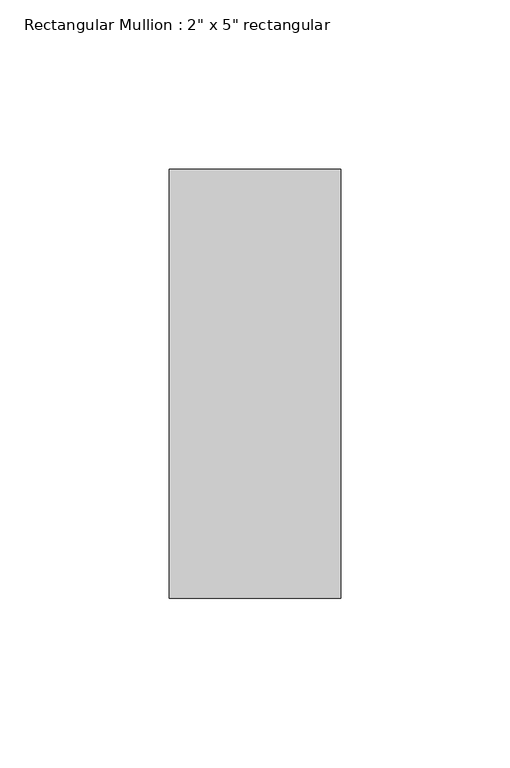
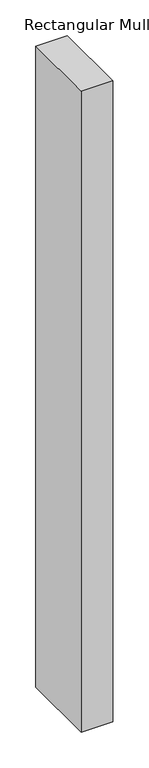
"""IFC4 building model written with IfcOpenShell, lengths in millimetres: member geometry."""

from ifc_helpers import new_model, si_unit, frame, origin, place, context, project, spatial, polyline, outline, extrude, source, transform, mapped, element, save


def member_1449f945(model_context):
    return source(origin(), model_context, "Body", "SweptSolid", [
        extrude(outline(polyline([(25.4, 63.5), (25.4, -63.5), (-25.4, -63.5), (-25.4, 63.5), (25.4, 63.5)])), frame((0.0, 0.0, -1092.2), z_axis=(0.0, 0.0, 1.0), x_axis=(1.0, 0.0, 0.0)), (0.0, 0.0, 1.0), 1092.2),
    ])


if __name__ == "__main__":
    model = new_model("IFC4")
    model_context = context("Model", 3, world=origin())
    ifc_project = project(units=[si_unit("LENGTHUNIT", "METRE", prefix="MILLI")], contexts=[model_context])
    site = spatial("IfcSite", under=ifc_project)
    building = spatial("IfcBuilding", under=site)
    placement = place(None, origin())
    member_shape = member_1449f945(model_context)
    element("IfcMember", 1, ObjectType="Rectangular Mullion : 2\" x 5\" rectangular", at=placement, inside=building, context=model_context, shape_type="MappedRepresentation", body=[
        mapped(member_shape, transform((0.0, 0.0, 0.0), x_axis=(1.0, 0.0, 0.0), y_axis=(0.0, 1.0, 0.0), z_axis=(0.0, 0.0, 1.0))),
    ])
    save(model, "model.ifc")
